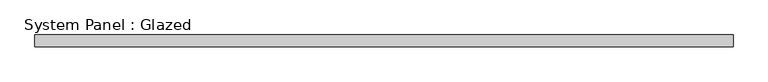
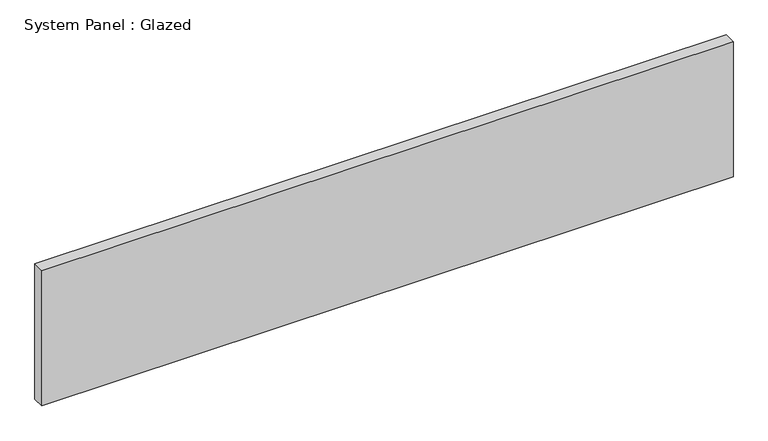
"""IFC4 building model written with IfcOpenShell, lengths in millimetres: plate geometry, System Panel : Glazed."""

from ifc_helpers import new_model, si_unit, origin, origin_with_axes, place, context, project, spatial, polyline, outline, extrude, source, transform, mapped, element, save


def system_panel_glazed_f6054ea4(model_context):
    return source(origin(), model_context, "Body", "SweptSolid", [
        extrude(outline(polyline([(730.819283, 24.5), (-730.819283, 24.5), (-730.819283, 49.5), (730.819283, 49.5), (730.819283, 24.5)])), origin_with_axes(), (0.0, 0.0, 1.0), 302.1504642),
    ])


if __name__ == "__main__":
    model = new_model("IFC4")
    model_context = context("Model", 3, world=origin())
    ifc_project = project(units=[si_unit("LENGTHUNIT", "METRE", prefix="MILLI")], contexts=[model_context])
    site = spatial("IfcSite", under=ifc_project)
    building = spatial("IfcBuilding", under=site)
    placement = place(None, origin())
    system_panel_glazed_shape = system_panel_glazed_f6054ea4(model_context)
    element("IfcPlate", 1, ObjectType="System Panel : Glazed", at=placement, inside=building, context=model_context, shape_type="MappedRepresentation", body=[
        mapped(system_panel_glazed_shape, transform((0.0, 0.0, 0.0), x_axis=(1.0, 0.0, 0.0), y_axis=(0.0, 1.0, 0.0), z_axis=(0.0, 0.0, 1.0))),
    ])
    save(model, "model.ifc")
